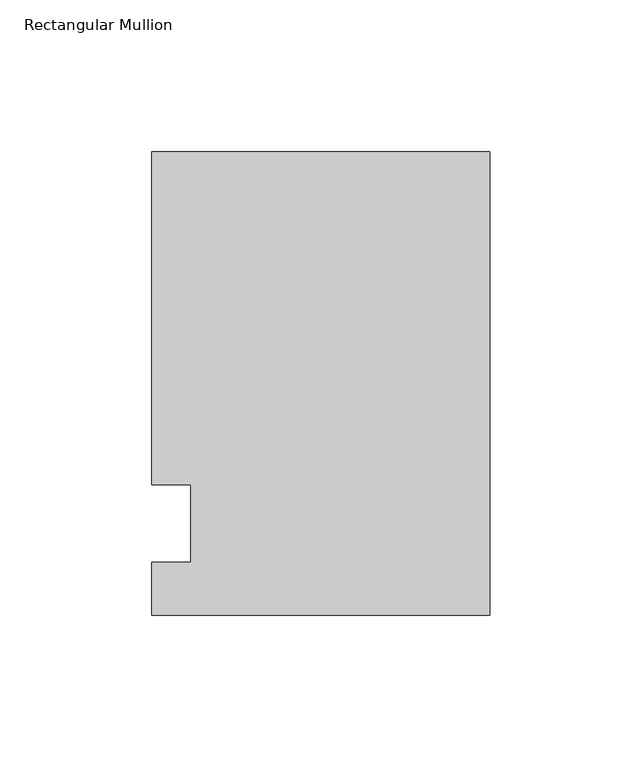
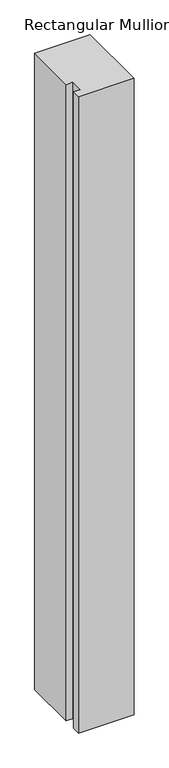
"""IFC4 building model written with IfcOpenShell, lengths in millimetres: member geometry, Rectangular Mullion."""

from ifc_helpers import new_model, si_unit, frame, origin, place, context, project, spatial, polyline, outline, extrude, source, transform, mapped, element, save


def rectangular_mullion_19f07361(model_context):
    return source(origin(), model_context, "Body", "SweptSolid", [
        extrude(outline(polyline([(-111.125, 122.2375), (0.0, 122.2375), (0.0, -30.1625), (-111.125, -30.1625), (-111.125, -12.7), (-98.4232296, -12.7), (-98.4232296, 12.7), (-111.125, 12.7), (-111.125, 122.2375)])), frame((0.0, 0.0, -1349.4760693), z_axis=(0.0, 0.0, 1.0), x_axis=(1.0, 0.0, 0.0)), (0.0, 0.0, 1.0), 1349.4760693),
    ])


if __name__ == "__main__":
    model = new_model("IFC4")
    model_context = context("Model", 3, world=origin())
    ifc_project = project(units=[si_unit("LENGTHUNIT", "METRE", prefix="MILLI")], contexts=[model_context])
    site = spatial("IfcSite", under=ifc_project)
    building = spatial("IfcBuilding", under=site)
    placement = place(None, origin())
    rectangular_mullion_shape = rectangular_mullion_19f07361(model_context)
    element("IfcMember", 1, ObjectType="Rectangular Mullion", at=placement, inside=building, context=model_context, shape_type="MappedRepresentation", body=[
        mapped(rectangular_mullion_shape, transform((0.0, 0.0, 0.0), x_axis=(1.0, 0.0, 0.0), y_axis=(0.0, 1.0, 0.0), z_axis=(0.0, 0.0, 1.0))),
    ])
    save(model, "model.ifc")
